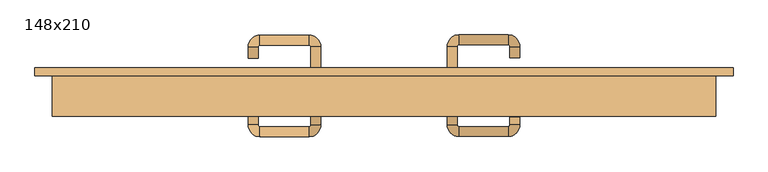
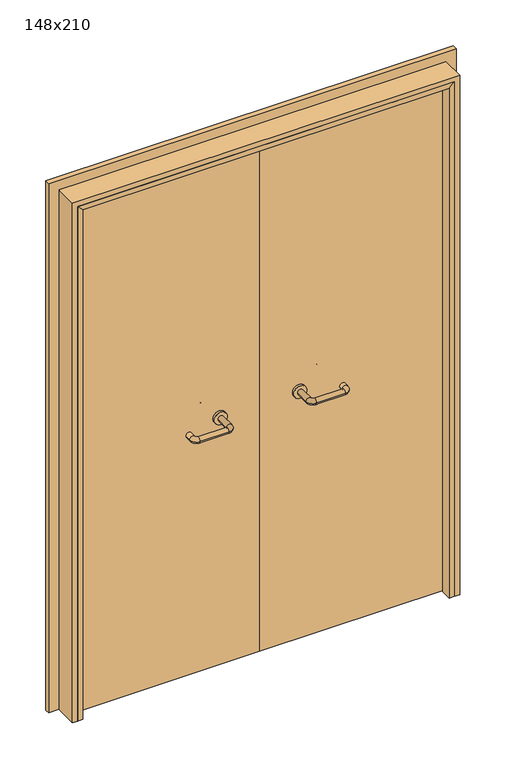
"""IFC4 building model written with IfcOpenShell, lengths in millimetres: door geometry, 148x210."""

from ifc_helpers import new_model, si_unit, point, frame, frame_2d, origin, place, context, project, spatial, polyline, circle_curve, ellipse_curve, trimmed, segment, composite_curve, outline, extrude, faceted_brep, source, transform, mapped, element, save
from ifc_brep_helpers import plane_surface, cylinder_surface, revolved_surface, advanced_brep


def door_148x210_cc0e7eb9(model_context):
    return source(origin(), model_context, "Body", "SolidModel", [
        faceted_brep([(-700.0, 53.0, 0.0), (-700.0, 10.0, 0.0), (-720.0, 10.0, 0.0), (-720.0, 53.0, 0.0), (-700.0, 53.0, 2060.0), (-700.0, 10.0, 2060.0), (-720.0, 10.0, 2080.0), (-720.0, 53.0, 2080.0), (700.0, 53.0, 0.0), (720.0, 53.0, 0.0), (720.0, 10.0, 0.0), (700.0, 10.0, 0.0), (700.0, 53.0, 2060.0), (720.0, 53.0, 2080.0), (720.0, 10.0, 2080.0), (700.0, 10.0, 2060.0)], [[[0, 1, 2, 3]], [[1, 0, 4, 5]], [[2, 1, 5, 6]], [[3, 2, 6, 7]], [[0, 3, 7, 4]], [[8, 9, 10, 11]], [[12, 13, 9, 8]], [[13, 14, 10, 9]], [[14, 15, 11, 10]], [[15, 12, 8, 11]], [[5, 4, 12, 15]], [[6, 5, 15, 14]], [[7, 6, 14, 13]], [[4, 7, 13, 12]]]),
        extrude(outline(polyline([(2139.0, 779.0), (2139.0, -779.0), (0.0, -779.0), (0.0, -735.0), (2095.0, -735.0), (2095.0, 735.0), (0.0, 735.0), (0.0, 779.0), (2139.0, 779.0)])), frame((0.0, 100.0, 0.0), z_axis=(0.0, 1.0, 0.0), x_axis=(0.0, 0.0, 1.0)), (0.0, 0.0, 1.0), 18.0),
        extrude(outline(polyline([(2100.0, -740.0), (0.0, -740.0), (0.0, -720.0), (2080.0, -720.0), (2080.0, 720.0), (0.0, 720.0), (0.0, 740.0), (2100.0, 740.0), (2100.0, -740.0)])), frame((0.0, 10.0, 0.0), z_axis=(0.0, 1.0, 0.0), x_axis=(0.0, 0.0, 1.0)), (0.0, 0.0, 1.0), 90.0),
        advanced_brep(
        [(140.99898, 46.0, 1003.0), (162.99898, 46.0, 1003.0), (140.99898, -9.3525369, 1003.0), (162.99898, -9.3525369, 1003.0), (166.99898, -13.3525369, 1003.0), (166.99898, -35.3525369, 1003.0), (276.99898, -35.3525369, 1003.0), (276.99898, -13.3525369, 1003.0), (280.99898, -9.3525369, 1003.0), (302.99898, -9.3525369, 1003.0), (302.99898, 8.0, 1003.0), (280.99898, 8.0, 1003.0)],
        [
            (0, 1, circle_curve(frame((151.99898, 46.0, 1003.0), z_axis=(0.0, 1.0, 0.0), x_axis=(1.0, 0.0, 0.0)), 11.0)),
            (1, 0, circle_curve(frame((151.99898, 46.0, 1003.0), z_axis=(0.0, 1.0, 0.0), x_axis=(1.0, 0.0, 0.0)), 11.0)),
            (0, 2),
            (2, 3, circle_curve(frame((151.99898, -9.3525369, 1003.0), z_axis=(0.0, 1.0, 0.0), x_axis=(1.0, 0.0, 0.0)), 11.0)),
            (3, 1),
            (3, 2, circle_curve(frame((151.99898, -9.3525369, 1003.0), z_axis=(0.0, 1.0, 0.0), x_axis=(1.0, 0.0, 0.0)), 11.0)),
            (4, 3, circle_curve(frame((166.99898, -9.3525369, 1003.0), z_axis=(0.0, 0.0, -1.0), x_axis=(-1.0, 0.0, 0.0)), 4.0)),
            (2, 5, circle_curve(frame((166.99898, -9.3525369, 1003.0), z_axis=(0.0, 0.0, 1.0), x_axis=(-1.0, 0.0, 0.0)), 26.0)),
            (5, 4, circle_curve(frame((166.99898, -24.3525369, 1003.0), z_axis=(-1.0, 0.0, 0.0), x_axis=(0.0, 1.0, 0.0)), 11.0)),
            (4, 5, circle_curve(frame((166.99898, -24.3525369, 1003.0), z_axis=(-1.0, 0.0, 0.0), x_axis=(0.0, 1.0, 0.0)), 11.0)),
            (5, 6),
            (6, 7, circle_curve(frame((276.99898, -24.3525369, 1003.0), z_axis=(-1.0, 0.0, 0.0), x_axis=(0.0, 1.0, 0.0)), 11.0)),
            (7, 4),
            (7, 6, circle_curve(frame((276.99898, -24.3525369, 1003.0), z_axis=(-1.0, 0.0, 0.0), x_axis=(0.0, 1.0, 0.0)), 11.0)),
            (8, 7, circle_curve(frame((276.99898, -9.3525369, 1003.0), z_axis=(0.0, 0.0, -1.0), x_axis=(0.0, -1.0, 0.0)), 4.0)),
            (6, 9, circle_curve(frame((276.99898, -9.3525369, 1003.0), z_axis=(0.0, 0.0, 1.0), x_axis=(0.0, -1.0, 0.0)), 26.0)),
            (9, 8, circle_curve(frame((291.99898, -9.3525369, 1003.0), z_axis=(0.0, -1.0, 0.0), x_axis=(-1.0, 0.0, 0.0)), 11.0)),
            (8, 9, circle_curve(frame((291.99898, -9.3525369, 1003.0), z_axis=(0.0, -1.0, 0.0), x_axis=(-1.0, 0.0, 0.0)), 11.0)),
            (10, 11, circle_curve(frame((291.99898, 8.0, 1003.0), z_axis=(0.0, 1.0, 0.0), x_axis=(-1.0, 0.0, 0.0)), 11.0)),
            (11, 10, circle_curve(frame((291.99898, 8.0, 1003.0), z_axis=(0.0, 1.0, 0.0), x_axis=(-1.0, 0.0, 0.0)), 11.0)),
            (9, 10),
            (11, 8),
        ],
        [
            plane_surface(frame((140.99898, 46.0, 1003.0), z_axis=(0.0, 1.0, 0.0), x_axis=(0.0, 0.0, -1.0))),
            cylinder_surface(frame((151.99898, 46.0, 1003.0), z_axis=(0.0, 1.0, 0.0), x_axis=(1.0, 0.0, 0.0)), 11.0),
            revolved_surface(trimmed(ellipse_curve(frame((151.99898, -9.3525369, 1003.0), z_axis=(0.0, 1.0, 0.0), x_axis=(1.0, 0.0, 0.0)), 11.0, 11.0), [point((140.99898, -9.3525369, 1003.0))], [point((162.99898, -9.3525369, 1003.0))], True, "CARTESIAN"), (166.99898, -9.3525369, 1003.0), (0.0, 0.0, 1.0)),
            revolved_surface(trimmed(ellipse_curve(frame((151.99898, -9.3525369, 1003.0), z_axis=(0.0, 1.0, 0.0), x_axis=(1.0, 0.0, 0.0)), 11.0, 11.0), [point((162.99898, -9.3525369, 1003.0))], [point((140.99898, -9.3525369, 1003.0))], True, "CARTESIAN"), (166.99898, -9.3525369, 1003.0), (0.0, 0.0, 1.0)),
            cylinder_surface(frame((166.99898, -24.3525369, 1003.0), z_axis=(-1.0, 0.0, 0.0), x_axis=(0.0, 1.0, 0.0)), 11.0),
            revolved_surface(trimmed(ellipse_curve(frame((276.99898, -24.3525369, 1003.0), z_axis=(-1.0, 0.0, 0.0), x_axis=(0.0, 1.0, 0.0)), 11.0, 11.0), [point((276.99898, -35.3525369, 1003.0))], [point((276.99898, -13.3525369, 1003.0))], True, "CARTESIAN"), (276.99898, -9.3525369, 1003.0), (0.0, 0.0, 1.0)),
            revolved_surface(trimmed(ellipse_curve(frame((276.99898, -24.3525369, 1003.0), z_axis=(-1.0, 0.0, 0.0), x_axis=(0.0, 1.0, 0.0)), 11.0, 11.0), [point((276.99898, -13.3525369, 1003.0))], [point((276.99898, -35.3525369, 1003.0))], True, "CARTESIAN"), (276.99898, -9.3525369, 1003.0), (0.0, 0.0, 1.0)),
            plane_surface(frame((280.99898, 8.0, 1003.0), z_axis=(0.0, 1.0, 0.0), x_axis=(0.0, 0.0, 1.0))),
            cylinder_surface(frame((291.99898, -9.3525369, 1003.0), z_axis=(0.0, -1.0, 0.0), x_axis=(-1.0, 0.0, 0.0)), 11.0),
        ],
        [
            (0, [[1, 2]]),
            (1, [[-1, 3, 4, 5]]),
            (1, [[-2, -5, 6, -3]]),
            (2, [[7, -4, 8, 9]]),
            (3, [[-8, -6, -7, 10]]),
            (4, [[-9, 11, 12, 13]]),
            (4, [[-10, -13, 14, -11]]),
            (5, [[15, -12, 16, 17]]),
            (6, [[-16, -14, -15, 18]]),
            (7, [[19, 20]]),
            (8, [[-17, 21, -20, 22]]),
            (8, [[-18, -22, -19, -21]]),
        ],
    ),
        extrude(outline(composite_curve([segment(trimmed(circle_curve(frame_2d((1003.0, 151.99898)), 25.0), [point((1003.0, 126.99898))], [point((1003.0, 176.99898))], False, "CARTESIAN"), True, "CONTINUOUS"), segment(trimmed(circle_curve(frame_2d((1003.0, 151.99898)), 25.0), [point((1003.0, 176.99898))], [point((1003.0, 126.99898))], False, "CARTESIAN"), True, "CONTINUOUS")], self_intersect=False)), frame((0.0, 46.0, 0.0), z_axis=(0.0, 1.0, 0.0), x_axis=(0.0, 0.0, 1.0)), (0.0, 0.0, 1.0), 10.0),
        advanced_brep(
        [(162.99898, 110.0, 1003.0), (140.99898, 110.0, 1003.0), (162.99898, 165.0, 1003.0), (140.99898, 165.0, 1003.0), (166.99898, 191.0, 1003.0), (166.99898, 169.0, 1003.0), (276.99898, 169.0, 1003.0), (276.99898, 191.0, 1003.0), (302.99898, 165.0, 1003.0), (280.99898, 165.0, 1003.0), (280.99898, 140.0, 1003.0), (302.99898, 140.0, 1003.0)],
        [
            (0, 1, circle_curve(frame((151.99898, 110.0, 1003.0), z_axis=(0.0, -1.0, 0.0), x_axis=(-1.0, 0.0, 0.0)), 11.0)),
            (1, 0, circle_curve(frame((151.99898, 110.0, 1003.0), z_axis=(0.0, -1.0, 0.0), x_axis=(-1.0, 0.0, 0.0)), 11.0)),
            (0, 2),
            (2, 3, circle_curve(frame((151.99898, 165.0, 1003.0), z_axis=(0.0, -1.0, 0.0), x_axis=(-1.0, 0.0, 0.0)), 11.0)),
            (3, 1),
            (3, 2, circle_curve(frame((151.99898, 165.0, 1003.0), z_axis=(0.0, -1.0, 0.0), x_axis=(-1.0, 0.0, 0.0)), 11.0)),
            (4, 3, circle_curve(frame((166.99898, 165.0, 1003.0), z_axis=(0.0, 0.0, 1.0), x_axis=(-1.0, 0.0, 0.0)), 26.0)),
            (2, 5, circle_curve(frame((166.99898, 165.0, 1003.0), z_axis=(0.0, 0.0, -1.0), x_axis=(-1.0, 0.0, 0.0)), 4.0)),
            (5, 4, circle_curve(frame((166.99898, 180.0, 1003.0), z_axis=(-1.0, 0.0, 0.0), x_axis=(0.0, 1.0, 0.0)), 11.0)),
            (4, 5, circle_curve(frame((166.99898, 180.0, 1003.0), z_axis=(-1.0, 0.0, 0.0), x_axis=(0.0, 1.0, 0.0)), 11.0)),
            (5, 6),
            (6, 7, circle_curve(frame((276.99898, 180.0, 1003.0), z_axis=(-1.0, 0.0, 0.0), x_axis=(0.0, 1.0, 0.0)), 11.0)),
            (7, 4),
            (7, 6, circle_curve(frame((276.99898, 180.0, 1003.0), z_axis=(-1.0, 0.0, 0.0), x_axis=(0.0, 1.0, 0.0)), 11.0)),
            (8, 7, circle_curve(frame((276.99898, 165.0, 1003.0), z_axis=(0.0, 0.0, 1.0), x_axis=(0.0, 1.0, 0.0)), 26.0)),
            (6, 9, circle_curve(frame((276.99898, 165.0, 1003.0), z_axis=(0.0, 0.0, -1.0), x_axis=(0.0, 1.0, 0.0)), 4.0)),
            (9, 8, circle_curve(frame((291.99898, 165.0, 1003.0), z_axis=(0.0, 1.0, 0.0), x_axis=(1.0, 0.0, 0.0)), 11.0)),
            (8, 9, circle_curve(frame((291.99898, 165.0, 1003.0), z_axis=(0.0, 1.0, 0.0), x_axis=(1.0, 0.0, 0.0)), 11.0)),
            (10, 11, circle_curve(frame((291.99898, 140.0, 1003.0), z_axis=(0.0, -1.0, 0.0), x_axis=(1.0, 0.0, 0.0)), 11.0)),
            (11, 10, circle_curve(frame((291.99898, 140.0, 1003.0), z_axis=(0.0, -1.0, 0.0), x_axis=(1.0, 0.0, 0.0)), 11.0)),
            (9, 10),
            (11, 8),
        ],
        [
            plane_surface(frame((140.99898, 110.0, 1003.0), z_axis=(0.0, -1.0, 0.0), x_axis=(0.0, 0.0, 1.0))),
            cylinder_surface(frame((151.99898, 110.0, 1003.0), z_axis=(0.0, -1.0, 0.0), x_axis=(-1.0, 0.0, 0.0)), 11.0),
            revolved_surface(trimmed(ellipse_curve(frame((151.99898, 165.0, 1003.0), z_axis=(0.0, -1.0, 0.0), x_axis=(-1.0, 0.0, 0.0)), 11.0, 11.0), [point((162.99898, 165.0, 1003.0))], [point((140.99898, 165.0, 1003.0))], True, "CARTESIAN"), (166.99898, 165.0, 1003.0), (0.0, 0.0, -1.0)),
            revolved_surface(trimmed(ellipse_curve(frame((151.99898, 165.0, 1003.0), z_axis=(0.0, -1.0, 0.0), x_axis=(-1.0, 0.0, 0.0)), 11.0, 11.0), [point((140.99898, 165.0, 1003.0))], [point((162.99898, 165.0, 1003.0))], True, "CARTESIAN"), (166.99898, 165.0, 1003.0), (0.0, 0.0, -1.0)),
            cylinder_surface(frame((166.99898, 180.0, 1003.0), z_axis=(-1.0, 0.0, 0.0), x_axis=(0.0, 1.0, 0.0)), 11.0),
            revolved_surface(trimmed(ellipse_curve(frame((276.99898, 180.0, 1003.0), z_axis=(-1.0, 0.0, 0.0), x_axis=(0.0, 1.0, 0.0)), 11.0, 11.0), [point((276.99898, 169.0, 1003.0))], [point((276.99898, 191.0, 1003.0))], True, "CARTESIAN"), (276.99898, 165.0, 1003.0), (0.0, 0.0, -1.0)),
            revolved_surface(trimmed(ellipse_curve(frame((276.99898, 180.0, 1003.0), z_axis=(-1.0, 0.0, 0.0), x_axis=(0.0, 1.0, 0.0)), 11.0, 11.0), [point((276.99898, 191.0, 1003.0))], [point((276.99898, 169.0, 1003.0))], True, "CARTESIAN"), (276.99898, 165.0, 1003.0), (0.0, 0.0, -1.0)),
            plane_surface(frame((280.99898, 140.0, 1003.0), z_axis=(0.0, -1.0, 0.0), x_axis=(0.0, 0.0, -1.0))),
            cylinder_surface(frame((291.99898, 165.0, 1003.0), z_axis=(0.0, 1.0, 0.0), x_axis=(1.0, 0.0, 0.0)), 11.0),
        ],
        [
            (0, [[1, 2]]),
            (1, [[-1, 3, 4, 5]]),
            (1, [[-2, -5, 6, -3]]),
            (2, [[7, -4, 8, 9]]),
            (3, [[-8, -6, -7, 10]]),
            (4, [[-9, 11, 12, 13]]),
            (4, [[-10, -13, 14, -11]]),
            (5, [[15, -12, 16, 17]]),
            (6, [[-16, -14, -15, 18]]),
            (7, [[19, 20]]),
            (8, [[-17, 21, -20, 22]]),
            (8, [[-18, -22, -19, -21]]),
        ],
    ),
        extrude(outline(composite_curve([segment(trimmed(circle_curve(frame_2d((1003.0, 151.99898)), 25.0), [point((1003.0, 176.99898))], [point((1003.0, 126.99898))], False, "CARTESIAN"), True, "CONTINUOUS"), segment(trimmed(circle_curve(frame_2d((1003.0, 151.99898)), 25.0), [point((1003.0, 126.99898))], [point((1003.0, 176.99898))], False, "CARTESIAN"), True, "CONTINUOUS")], self_intersect=False)), frame((0.0, 100.0, 0.0), z_axis=(0.0, 1.0, 0.0), x_axis=(0.0, 0.0, 1.0)), (0.0, 0.0, 1.0), 10.0),
        advanced_brep(
        [(-162.99898, 45.6886121, 1003.0), (-140.99898, 45.6886121, 1003.0), (-162.99898, -9.7220447, 1003.0), (-140.99898, -9.7220447, 1003.0), (-166.99898, -35.7220447, 1003.0), (-166.99898, -13.7220447, 1003.0), (-276.99898, -13.7220447, 1003.0), (-276.99898, -35.7220447, 1003.0), (-302.99898, -9.7220447, 1003.0), (-280.99898, -9.7220447, 1003.0), (-280.99898, 15.2779553, 1003.0), (-302.99898, 15.2779553, 1003.0)],
        [
            (0, 1, circle_curve(frame((-151.99898, 45.6886121, 1003.0), z_axis=(0.0, 1.0, 0.0), x_axis=(1.0, 0.0, 0.0)), 11.0)),
            (1, 0, circle_curve(frame((-151.99898, 45.6886121, 1003.0), z_axis=(0.0, 1.0, 0.0), x_axis=(1.0, 0.0, 0.0)), 11.0)),
            (0, 2),
            (2, 3, circle_curve(frame((-151.99898, -9.7220447, 1003.0), z_axis=(0.0, 1.0, 0.0), x_axis=(1.0, 0.0, 0.0)), 11.0)),
            (3, 1),
            (3, 2, circle_curve(frame((-151.99898, -9.7220447, 1003.0), z_axis=(0.0, 1.0, 0.0), x_axis=(1.0, 0.0, 0.0)), 11.0)),
            (4, 3, circle_curve(frame((-166.99898, -9.7220447, 1003.0), z_axis=(0.0, 0.0, 1.0), x_axis=(1.0, 0.0, 0.0)), 26.0)),
            (2, 5, circle_curve(frame((-166.99898, -9.7220447, 1003.0), z_axis=(0.0, 0.0, -1.0), x_axis=(1.0, 0.0, 0.0)), 4.0)),
            (5, 4, circle_curve(frame((-166.99898, -24.7220447, 1003.0), z_axis=(1.0, 0.0, 0.0), x_axis=(0.0, -1.0, 0.0)), 11.0)),
            (4, 5, circle_curve(frame((-166.99898, -24.7220447, 1003.0), z_axis=(1.0, 0.0, 0.0), x_axis=(0.0, -1.0, 0.0)), 11.0)),
            (5, 6),
            (6, 7, circle_curve(frame((-276.99898, -24.7220447, 1003.0), z_axis=(1.0, 0.0, 0.0), x_axis=(0.0, -1.0, 0.0)), 11.0)),
            (7, 4),
            (7, 6, circle_curve(frame((-276.99898, -24.7220447, 1003.0), z_axis=(1.0, 0.0, 0.0), x_axis=(0.0, -1.0, 0.0)), 11.0)),
            (8, 7, circle_curve(frame((-276.99898, -9.7220447, 1003.0), z_axis=(0.0, 0.0, 1.0), x_axis=(0.0, -1.0, 0.0)), 26.0)),
            (6, 9, circle_curve(frame((-276.99898, -9.7220447, 1003.0), z_axis=(0.0, 0.0, -1.0), x_axis=(0.0, -1.0, 0.0)), 4.0)),
            (9, 8, circle_curve(frame((-291.99898, -9.7220447, 1003.0), z_axis=(0.0, -1.0, 0.0), x_axis=(-1.0, 0.0, 0.0)), 11.0)),
            (8, 9, circle_curve(frame((-291.99898, -9.7220447, 1003.0), z_axis=(0.0, -1.0, 0.0), x_axis=(-1.0, 0.0, 0.0)), 11.0)),
            (10, 11, circle_curve(frame((-291.99898, 15.2779553, 1003.0), z_axis=(0.0, 1.0, 0.0), x_axis=(-1.0, 0.0, 0.0)), 11.0)),
            (11, 10, circle_curve(frame((-291.99898, 15.2779553, 1003.0), z_axis=(0.0, 1.0, 0.0), x_axis=(-1.0, 0.0, 0.0)), 11.0)),
            (9, 10),
            (11, 8),
        ],
        [
            plane_surface(frame((-162.99898, 45.6886121, 1003.0), z_axis=(0.0, 1.0, 0.0), x_axis=(0.0, 0.0, -1.0))),
            cylinder_surface(frame((-151.99898, 45.6886121, 1003.0), z_axis=(0.0, 1.0, 0.0), x_axis=(1.0, 0.0, 0.0)), 11.0),
            revolved_surface(trimmed(ellipse_curve(frame((-151.99898, -9.7220447, 1003.0), z_axis=(0.0, 1.0, 0.0), x_axis=(1.0, 0.0, 0.0)), 11.0, 11.0), [point((-162.99898, -9.7220447, 1003.0))], [point((-140.99898, -9.7220447, 1003.0))], True, "CARTESIAN"), (-166.99898, -9.7220447, 1003.0), (0.0, 0.0, -1.0)),
            revolved_surface(trimmed(ellipse_curve(frame((-151.99898, -9.7220447, 1003.0), z_axis=(0.0, 1.0, 0.0), x_axis=(1.0, 0.0, 0.0)), 11.0, 11.0), [point((-140.99898, -9.7220447, 1003.0))], [point((-162.99898, -9.7220447, 1003.0))], True, "CARTESIAN"), (-166.99898, -9.7220447, 1003.0), (0.0, 0.0, -1.0)),
            cylinder_surface(frame((-166.99898, -24.7220447, 1003.0), z_axis=(1.0, 0.0, 0.0), x_axis=(0.0, -1.0, 0.0)), 11.0),
            revolved_surface(trimmed(ellipse_curve(frame((-276.99898, -24.7220447, 1003.0), z_axis=(1.0, 0.0, 0.0), x_axis=(0.0, -1.0, 0.0)), 11.0, 11.0), [point((-276.99898, -13.7220447, 1003.0))], [point((-276.99898, -35.7220447, 1003.0))], True, "CARTESIAN"), (-276.99898, -9.7220447, 1003.0), (0.0, 0.0, -1.0)),
            revolved_surface(trimmed(ellipse_curve(frame((-276.99898, -24.7220447, 1003.0), z_axis=(1.0, 0.0, 0.0), x_axis=(0.0, -1.0, 0.0)), 11.0, 11.0), [point((-276.99898, -35.7220447, 1003.0))], [point((-276.99898, -13.7220447, 1003.0))], True, "CARTESIAN"), (-276.99898, -9.7220447, 1003.0), (0.0, 0.0, -1.0)),
            plane_surface(frame((-302.99898, 15.2779553, 1003.0), z_axis=(0.0, 1.0, 0.0), x_axis=(0.0, 0.0, 1.0))),
            cylinder_surface(frame((-291.99898, -9.7220447, 1003.0), z_axis=(0.0, -1.0, 0.0), x_axis=(-1.0, 0.0, 0.0)), 11.0),
        ],
        [
            (0, [[1, 2]]),
            (1, [[-1, 3, 4, 5]]),
            (1, [[-2, -5, 6, -3]]),
            (2, [[7, -4, 8, 9]]),
            (3, [[-8, -6, -7, 10]]),
            (4, [[-9, 11, 12, 13]]),
            (4, [[-10, -13, 14, -11]]),
            (5, [[15, -12, 16, 17]]),
            (6, [[-16, -14, -15, 18]]),
            (7, [[19, 20]]),
            (8, [[-17, 21, -20, 22]]),
            (8, [[-18, -22, -19, -21]]),
        ],
    ),
        extrude(outline(composite_curve([segment(trimmed(circle_curve(frame_2d((1003.0, -151.99898)), 25.0), [point((1003.0, -176.99898))], [point((1003.0, -126.99898))], False, "CARTESIAN"), True, "CONTINUOUS"), segment(trimmed(circle_curve(frame_2d((1003.0, -151.99898)), 25.0), [point((1003.0, -126.99898))], [point((1003.0, -176.99898))], False, "CARTESIAN"), True, "CONTINUOUS")], self_intersect=False)), frame((0.0, 45.6886121, 0.0), z_axis=(0.0, 1.0, 0.0), x_axis=(0.0, 0.0, 1.0)), (0.0, 0.0, 1.0), 10.3113879),
        advanced_brep(
        [(-140.99898, 109.5143417, 1003.0), (-162.99898, 109.5143417, 1003.0), (-140.99898, 164.6104656, 1003.0), (-162.99898, 164.6104656, 1003.0), (-166.99898, 168.6104656, 1003.0), (-166.99898, 190.6104656, 1003.0), (-276.99898, 190.6104656, 1003.0), (-276.99898, 168.6104656, 1003.0), (-280.99898, 164.6104656, 1003.0), (-302.99898, 164.6104656, 1003.0), (-302.99898, 139.6104656, 1003.0), (-280.99898, 139.6104656, 1003.0)],
        [
            (0, 1, circle_curve(frame((-151.99898, 109.5143417, 1003.0), z_axis=(0.0, -1.0, 0.0), x_axis=(-1.0, 0.0, 0.0)), 11.0)),
            (1, 0, circle_curve(frame((-151.99898, 109.5143417, 1003.0), z_axis=(0.0, -1.0, 0.0), x_axis=(-1.0, 0.0, 0.0)), 11.0)),
            (0, 2),
            (2, 3, circle_curve(frame((-151.99898, 164.6104656, 1003.0), z_axis=(0.0, -1.0, 0.0), x_axis=(-1.0, 0.0, 0.0)), 11.0)),
            (3, 1),
            (3, 2, circle_curve(frame((-151.99898, 164.6104656, 1003.0), z_axis=(0.0, -1.0, 0.0), x_axis=(-1.0, 0.0, 0.0)), 11.0)),
            (4, 3, circle_curve(frame((-166.99898, 164.6104656, 1003.0), z_axis=(0.0, 0.0, -1.0), x_axis=(1.0, 0.0, 0.0)), 4.0)),
            (2, 5, circle_curve(frame((-166.99898, 164.6104656, 1003.0), z_axis=(0.0, 0.0, 1.0), x_axis=(1.0, 0.0, 0.0)), 26.0)),
            (5, 4, circle_curve(frame((-166.99898, 179.6104656, 1003.0), z_axis=(1.0, 0.0, 0.0), x_axis=(0.0, -1.0, 0.0)), 11.0)),
            (4, 5, circle_curve(frame((-166.99898, 179.6104656, 1003.0), z_axis=(1.0, 0.0, 0.0), x_axis=(0.0, -1.0, 0.0)), 11.0)),
            (5, 6),
            (6, 7, circle_curve(frame((-276.99898, 179.6104656, 1003.0), z_axis=(1.0, 0.0, 0.0), x_axis=(0.0, -1.0, 0.0)), 11.0)),
            (7, 4),
            (7, 6, circle_curve(frame((-276.99898, 179.6104656, 1003.0), z_axis=(1.0, 0.0, 0.0), x_axis=(0.0, -1.0, 0.0)), 11.0)),
            (8, 7, circle_curve(frame((-276.99898, 164.6104656, 1003.0), z_axis=(0.0, 0.0, -1.0), x_axis=(0.0, 1.0, 0.0)), 4.0)),
            (6, 9, circle_curve(frame((-276.99898, 164.6104656, 1003.0), z_axis=(0.0, 0.0, 1.0), x_axis=(0.0, 1.0, 0.0)), 26.0)),
            (9, 8, circle_curve(frame((-291.99898, 164.6104656, 1003.0), z_axis=(0.0, 1.0, 0.0), x_axis=(1.0, 0.0, 0.0)), 11.0)),
            (8, 9, circle_curve(frame((-291.99898, 164.6104656, 1003.0), z_axis=(0.0, 1.0, 0.0), x_axis=(1.0, 0.0, 0.0)), 11.0)),
            (10, 11, circle_curve(frame((-291.99898, 139.6104656, 1003.0), z_axis=(0.0, -1.0, 0.0), x_axis=(1.0, 0.0, 0.0)), 11.0)),
            (11, 10, circle_curve(frame((-291.99898, 139.6104656, 1003.0), z_axis=(0.0, -1.0, 0.0), x_axis=(1.0, 0.0, 0.0)), 11.0)),
            (9, 10),
            (11, 8),
        ],
        [
            plane_surface(frame((-162.99898, 109.5143417, 1003.0), z_axis=(0.0, -1.0, 0.0), x_axis=(0.0, 0.0, 1.0))),
            cylinder_surface(frame((-151.99898, 109.5143417, 1003.0), z_axis=(0.0, -1.0, 0.0), x_axis=(-1.0, 0.0, 0.0)), 11.0),
            revolved_surface(trimmed(ellipse_curve(frame((-151.99898, 164.6104656, 1003.0), z_axis=(0.0, -1.0, 0.0), x_axis=(-1.0, 0.0, 0.0)), 11.0, 11.0), [point((-140.99898, 164.6104656, 1003.0))], [point((-162.99898, 164.6104656, 1003.0))], True, "CARTESIAN"), (-166.99898, 164.6104656, 1003.0), (0.0, 0.0, 1.0)),
            revolved_surface(trimmed(ellipse_curve(frame((-151.99898, 164.6104656, 1003.0), z_axis=(0.0, -1.0, 0.0), x_axis=(-1.0, 0.0, 0.0)), 11.0, 11.0), [point((-162.99898, 164.6104656, 1003.0))], [point((-140.99898, 164.6104656, 1003.0))], True, "CARTESIAN"), (-166.99898, 164.6104656, 1003.0), (0.0, 0.0, 1.0)),
            cylinder_surface(frame((-166.99898, 179.6104656, 1003.0), z_axis=(1.0, 0.0, 0.0), x_axis=(0.0, -1.0, 0.0)), 11.0),
            revolved_surface(trimmed(ellipse_curve(frame((-276.99898, 179.6104656, 1003.0), z_axis=(1.0, 0.0, 0.0), x_axis=(0.0, -1.0, 0.0)), 11.0, 11.0), [point((-276.99898, 190.6104656, 1003.0))], [point((-276.99898, 168.6104656, 1003.0))], True, "CARTESIAN"), (-276.99898, 164.6104656, 1003.0), (0.0, 0.0, 1.0)),
            revolved_surface(trimmed(ellipse_curve(frame((-276.99898, 179.6104656, 1003.0), z_axis=(1.0, 0.0, 0.0), x_axis=(0.0, -1.0, 0.0)), 11.0, 11.0), [point((-276.99898, 168.6104656, 1003.0))], [point((-276.99898, 190.6104656, 1003.0))], True, "CARTESIAN"), (-276.99898, 164.6104656, 1003.0), (0.0, 0.0, 1.0)),
            plane_surface(frame((-302.99898, 139.6104656, 1003.0), z_axis=(0.0, -1.0, 0.0), x_axis=(0.0, 0.0, -1.0))),
            cylinder_surface(frame((-291.99898, 164.6104656, 1003.0), z_axis=(0.0, 1.0, 0.0), x_axis=(1.0, 0.0, 0.0)), 11.0),
        ],
        [
            (0, [[1, 2]]),
            (1, [[-1, 3, 4, 5]]),
            (1, [[-2, -5, 6, -3]]),
            (2, [[7, -4, 8, 9]]),
            (3, [[-8, -6, -7, 10]]),
            (4, [[-9, 11, 12, 13]]),
            (4, [[-10, -13, 14, -11]]),
            (5, [[15, -12, 16, 17]]),
            (6, [[-16, -14, -15, 18]]),
            (7, [[19, 20]]),
            (8, [[-17, 21, -20, 22]]),
            (8, [[-18, -22, -19, -21]]),
        ],
    ),
        extrude(outline(composite_curve([segment(trimmed(circle_curve(frame_2d((1003.0, -151.99898)), 25.0), [point((1003.0, -126.99898))], [point((1003.0, -176.99898))], False, "CARTESIAN"), True, "CONTINUOUS"), segment(trimmed(circle_curve(frame_2d((1003.0, -151.99898)), 25.0), [point((1003.0, -176.99898))], [point((1003.0, -126.99898))], False, "CARTESIAN"), True, "CONTINUOUS")], self_intersect=False)), frame((0.0, 100.0, 0.0), z_axis=(0.0, 1.0, 0.0), x_axis=(0.0, 0.0, 1.0)), (0.0, 0.0, 1.0), 9.5143417),
        extrude(outline(polyline([(1.0739506, 56.0), (-717.0, 56.0), (-717.0, 100.0), (1.0739506, 100.0), (1.0739506, 56.0)])), frame((0.0, 0.0, 1.753223), z_axis=(0.0, 0.0, 1.0), x_axis=(1.0, 0.0, 0.0)), (0.0, 0.0, 1.0), 2078.246777),
        extrude(outline(polyline([(717.0, 56.0), (1.0739506, 56.0), (1.0739506, 100.0), (717.0, 100.0), (717.0, 56.0)])), frame((0.0, 0.0, 1.753223), z_axis=(0.0, 0.0, 1.0), x_axis=(1.0, 0.0, 0.0)), (0.0, 0.0, 1.0), 2078.246777),
    ])


if __name__ == "__main__":
    model = new_model("IFC4")
    model_context = context("Model", 3, world=origin())
    ifc_project = project(units=[si_unit("LENGTHUNIT", "METRE", prefix="MILLI")], contexts=[model_context])
    site = spatial("IfcSite", under=ifc_project)
    building = spatial("IfcBuilding", under=site)
    placement = place(None, origin())
    door_148x210_shape = door_148x210_cc0e7eb9(model_context)
    element("IfcDoor", 1, ObjectType="148x210", at=placement, inside=building, context=model_context, shape_type="MappedRepresentation", body=[
        mapped(door_148x210_shape, transform((0.0, 0.0, 0.0), x_axis=(1.0, 0.0, 0.0), y_axis=(0.0, 1.0, 0.0), z_axis=(0.0, 0.0, 1.0))),
    ])
    save(model, "model.ifc")
